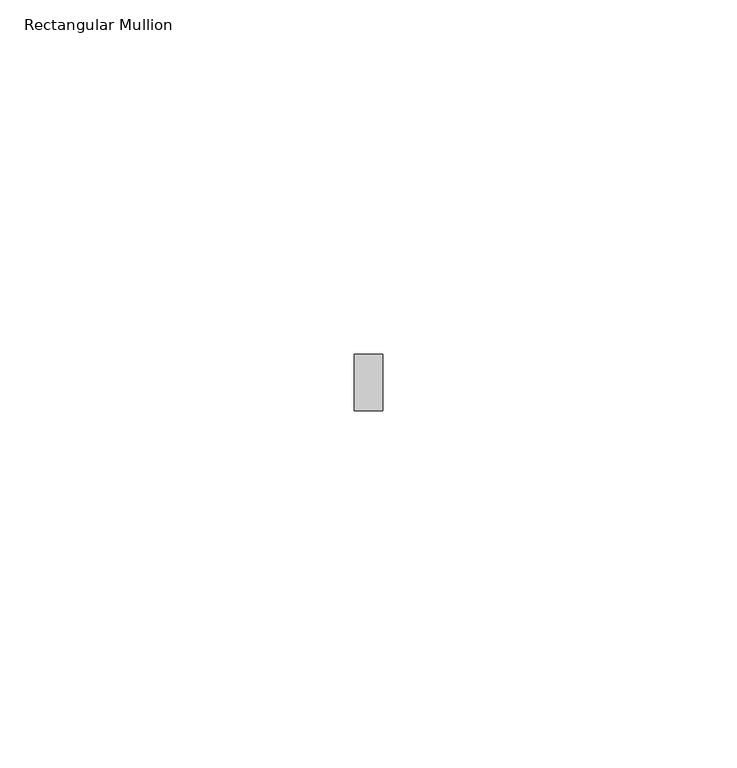
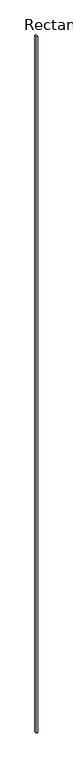
"""IFC4 building model written with IfcOpenShell, lengths in millimetres: member geometry, Rectangular Mullion."""

from ifc_helpers import new_model, si_unit, frame, origin, place, context, project, spatial, polyline, outline, extrude, source, transform, mapped, element, save


def rectangular_mullion_333adead(model_context):
    return source(origin(), model_context, "Body", "SweptSolid", [
        extrude(outline(polyline([(2.0, 0.0), (2.0, -8.0), (-2.0, -8.0), (-2.0, 0.0), (2.0, 0.0)])), frame((0.0, 0.0, -2239.0), z_axis=(0.0, 0.0, 1.0), x_axis=(1.0, 0.0, 0.0)), (0.0, 0.0, 1.0), 2239.0),
    ])


if __name__ == "__main__":
    model = new_model("IFC4")
    model_context = context("Model", 3, world=origin())
    ifc_project = project(units=[si_unit("LENGTHUNIT", "METRE", prefix="MILLI")], contexts=[model_context])
    site = spatial("IfcSite", under=ifc_project)
    building = spatial("IfcBuilding", under=site)
    placement = place(None, origin())
    rectangular_mullion_shape = rectangular_mullion_333adead(model_context)
    element("IfcMember", 1, ObjectType="Rectangular Mullion", at=placement, inside=building, context=model_context, shape_type="MappedRepresentation", body=[
        mapped(rectangular_mullion_shape, transform((0.0, 0.0, 0.0), x_axis=(1.0, 0.0, 0.0), y_axis=(0.0, 1.0, 0.0), z_axis=(0.0, 0.0, 1.0))),
    ])
    save(model, "model.ifc")
